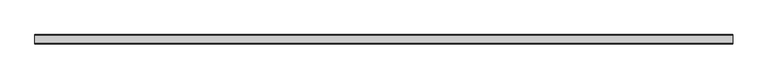
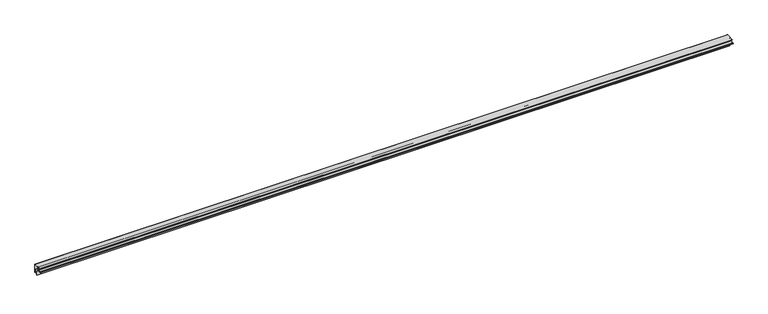
"""IFC4 building model written with IfcOpenShell, lengths in millimetres: proxy geometry."""

from ifc_helpers import new_model, si_unit, point, frame, frame_2d, origin, place, context, project, spatial, polyline, circle_curve, trimmed, segment, composite_curve, outline, extrude, source, transform, mapped, element, save


def specialty_equipment_a502120a(model_context):
    return source(origin(), model_context, "Body", "SweptSolid", [
        extrude(outline(polyline([(-1.185893, -1.524), (-1.185893, -28.3065158), (-38.904893, -28.3065158), (-38.904893, -26.2745159), (-3.217893, -26.2745159), (-3.217893, -3.5559998), (-20.1266941, -3.5559998), (-20.1266941, -1.524), (-1.185893, -1.524)])), frame((0.0, 0.0, 0.0), z_axis=(1.0, 0.0, 0.0), x_axis=(0.0, 1.0, 0.0)), (0.0, 0.0, 1.0), 8624.8354143),
        extrude(outline(composite_curve([segment(trimmed(circle_curve(frame_2d((8.8783579, 2.2475773)), 0.8128), [point((9.6911579, 2.2475773))], [point((8.8783579, 3.0603773))], True, "CARTESIAN"), True, "CONTINUOUS"), segment(polyline([(8.8783579, 3.0603773), (-26.3768421, 3.0603773)]), True, "CONTINUOUS"), segment(trimmed(circle_curve(frame_2d((-26.3768421, 4.2795773)), 1.2192), [point((-26.3768421, 3.0603773))], [point((-26.3768421, 5.4987773))], False, "CARTESIAN"), True, "CONTINUOUS"), segment(polyline([(-26.3768421, 5.4987773), (72.3783579, 5.4987773)]), True, "CONTINUOUS"), segment(trimmed(circle_curve(frame_2d((72.3783579, 3.8731773)), 1.6256), [point((72.3783579, 5.4987773))], [point((74.0039579, 3.8731773))], False, "CARTESIAN"), True, "CONTINUOUS"), segment(polyline([(74.0039579, 3.8731773), (74.0039579, -94.8820227)]), True, "CONTINUOUS"), segment(trimmed(circle_curve(frame_2d((72.7847579, -94.8820227)), 1.2192), [point((74.0039579, -94.8820227))], [point((71.5655579, -94.8820227))], False, "CARTESIAN"), True, "CONTINUOUS"), segment(polyline([(71.5655579, -94.8820227), (71.5655579, -58.8140227), (32.5100456, -58.8140227), (32.5100456, -112.7890227), (31.6972456, -112.7890227), (31.6972456, -58.0012227), (73.1911579, -58.0012227), (73.1911579, 4.6859773), (10.5039579, 4.6859773), (10.5039579, -34.4808227)]), True, "CONTINUOUS"), segment(trimmed(circle_curve(frame_2d((8.8783579, -34.4808227)), 1.6256), [point((10.5039579, -34.4808227))], [point((8.8783579, -36.1064227))], False, "CARTESIAN"), True, "CONTINUOUS"), segment(polyline([(8.8783579, -36.1064227), (-44.2838421, -36.1064227), (-44.2838421, -35.2936227), (8.8783579, -35.2936227)]), True, "CONTINUOUS"), segment(trimmed(circle_curve(frame_2d((8.8783579, -34.4808227)), 0.8128), [point((8.8783579, -35.2936227))], [point((9.6911579, -34.4808227))], True, "CARTESIAN"), True, "CONTINUOUS"), segment(polyline([(9.6911579, -34.4808227), (9.6911579, 2.2475773)]), True, "CONTINUOUS")], self_intersect=False)), frame((0.0, 0.0, 0.0), z_axis=(1.0, 0.0, 0.0), x_axis=(0.0, 1.0, 0.0)), (0.0, 0.0, 1.0), 8624.8354143),
        extrude(outline(polyline([(39.4430797, -102.2326729), (39.4430797, -64.513673), (66.3148414, -64.513673), (66.3148414, -83.5662562), (64.2828415, -83.5662562), (64.2828415, -66.5456729), (41.4750797, -66.5456729), (41.4750797, -102.2326729), (39.4430797, -102.2326729)])), frame((0.0, 0.0, 0.0), z_axis=(1.0, 0.0, 0.0), x_axis=(0.0, 1.0, 0.0)), (0.0, 0.0, 1.0), 8624.8354143),
    ])


if __name__ == "__main__":
    model = new_model("IFC4")
    model_context = context("Model", 3, world=origin())
    ifc_project = project(units=[si_unit("LENGTHUNIT", "METRE", prefix="MILLI")], contexts=[model_context])
    site = spatial("IfcSite", under=ifc_project)
    building = spatial("IfcBuilding", under=site)
    placement = place(None, origin())
    specialty_equipment_shape = specialty_equipment_a502120a(model_context)
    element("IfcBuildingElementProxy", 1, Name="Specialty Equipment", at=placement, inside=building, context=model_context, shape_type="MappedRepresentation", body=[
        mapped(specialty_equipment_shape, transform((0.0, 0.0, 0.0), x_axis=(1.0, 0.0, 0.0), y_axis=(0.0, 1.0, 0.0), z_axis=(0.0, 0.0, 1.0))),
    ])
    save(model, "model.ifc")
